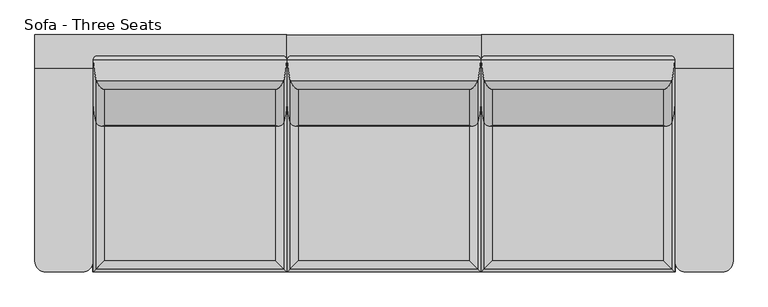
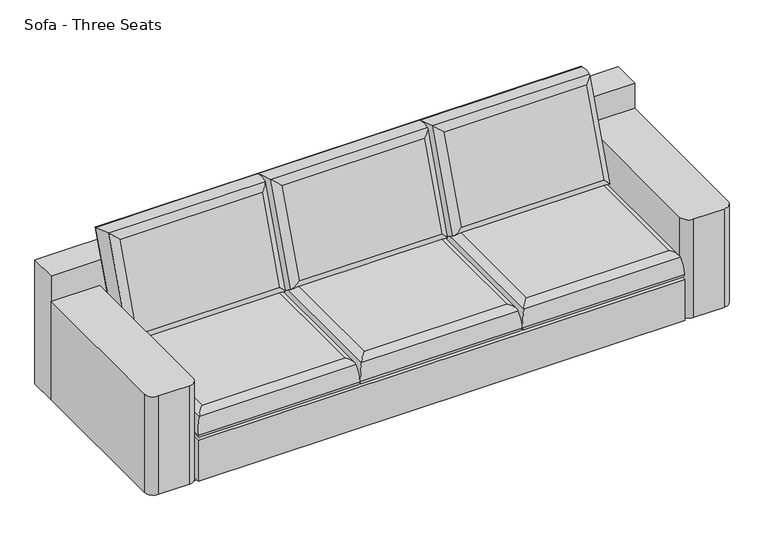
"""IFC4 building model written with IfcOpenShell, lengths in millimetres: furniture geometry, Sofa - Three Seats."""

from ifc_helpers import new_model, si_unit, point, frame, frame_2d, origin, origin_with_axes, place, context, project, spatial, polyline, circle_curve, ellipse_curve, trimmed, segment, composite_curve, outline, extrude, source, transform, mapped, element, save
from ifc_brep_helpers import plane_surface, cylinder_surface, advanced_brep


def sofa_three_seats_6b5f1c55(model_context):
    return source(origin(), model_context, "Body", "SolidModel", [
        extrude(outline(composite_curve([segment(polyline([(5029.6307485, 1413.1731837), (5029.6307485, 609.8981837)]), True, "CONTINUOUS"), segment(trimmed(circle_curve(frame_2d((4985.1807485, 609.8981837)), 44.45), [point((5029.6307485, 609.8981837))], [point((4985.1807485, 565.4481837))], False, "CARTESIAN"), True, "CONTINUOUS"), segment(polyline([(4985.1807485, 565.4481837), (4832.7807485, 565.4481837)]), True, "CONTINUOUS"), segment(trimmed(circle_curve(frame_2d((4832.7807485, 609.8981837)), 44.45), [point((4832.7807485, 565.4481837))], [point((4788.3307485, 609.8981837))], False, "CARTESIAN"), True, "CONTINUOUS"), segment(polyline([(4788.3307485, 609.8981837), (4788.3307485, 1413.1731837), (5029.6307485, 1413.1731837)]), True, "CONTINUOUS")], self_intersect=False)), frame((0.0, 0.0, 60.325), z_axis=(0.0, 0.0, 1.0), x_axis=(1.0, 0.0, 0.0)), (0.0, 0.0, 1.0), 517.525),
        extrude(outline(composite_curve([segment(polyline([(3981.8807485, 1413.1731837), (3175.4307485, 1413.1731837), (3175.4307485, 1551.1313469)]), True, "CONTINUOUS"), segment(trimmed(circle_curve(frame_2d((3578.6557485, -9330.1458999)), 10888.7457921), [point((3175.4307485, 1551.1313469))], [point((3981.8807485, 1551.1313469))], False, "CARTESIAN"), True, "CONTINUOUS"), segment(polyline([(3981.8807485, 1551.1313469), (3981.8807485, 1413.1731837)]), True, "CONTINUOUS")], self_intersect=False)), frame((0.0, 0.0, 60.325), z_axis=(0.0, 0.0, 1.0), x_axis=(1.0, 0.0, 0.0)), (0.0, 0.0, 1.0), 650.875),
        extrude(outline(composite_curve([segment(polyline([(2368.9807485, 1413.1731837), (2368.9807485, 609.8981837)]), True, "CONTINUOUS"), segment(trimmed(circle_curve(frame_2d((2324.5307485, 609.8981837)), 44.45), [point((2368.9807485, 609.8981837))], [point((2324.5307485, 565.4481837))], False, "CARTESIAN"), True, "CONTINUOUS"), segment(polyline([(2324.5307485, 565.4481837), (2172.1307485, 565.4481837)]), True, "CONTINUOUS"), segment(trimmed(circle_curve(frame_2d((2172.1307485, 609.8981837)), 44.45), [point((2172.1307485, 565.4481837))], [point((2127.6807485, 609.8981837))], False, "CARTESIAN"), True, "CONTINUOUS"), segment(polyline([(2127.6807485, 609.8981837), (2127.6807485, 1413.1731837), (2368.9807485, 1413.1731837)]), True, "CONTINUOUS")], self_intersect=False)), frame((0.0, 0.0, 60.325), z_axis=(0.0, 0.0, 1.0), x_axis=(1.0, 0.0, 0.0)), (0.0, 0.0, 1.0), 517.525),
        extrude(outline(composite_curve([segment(trimmed(circle_curve(frame_2d((2651.8795236, -11164.1120182)), 12727.2962015), [point((2127.6807485, 1552.3845215))], [point((3175.4307485, 1552.4111983))], False, "CARTESIAN"), True, "CONTINUOUS"), segment(polyline([(3175.4307485, 1552.4111983), (3175.4307485, 1413.1731837), (2127.6807485, 1413.1731837), (2127.6807485, 1552.3845215)]), True, "CONTINUOUS")], self_intersect=False)), frame((0.0, 0.0, 60.325), z_axis=(0.0, 0.0, 1.0), x_axis=(1.0, 0.0, 0.0)), (0.0, 0.0, 1.0), 650.875),
        extrude(outline(composite_curve([segment(polyline([(5029.6307485, 1552.3845215), (5029.6307485, 1413.1731837), (3981.8807485, 1413.1731837), (3981.8807485, 1552.4111983)]), True, "CONTINUOUS"), segment(trimmed(circle_curve(frame_2d((4505.4319733, -11164.1120182)), 12727.2962015), [point((3981.8807485, 1552.4111983))], [point((5029.6307485, 1552.3845215))], False, "CARTESIAN"), True, "CONTINUOUS")], self_intersect=False)), frame((0.0, 0.0, 60.325), z_axis=(0.0, 0.0, 1.0), x_axis=(1.0, 0.0, 0.0)), (0.0, 0.0, 1.0), 650.875),
        advanced_brep(
        [(4761.818919, 1298.0836706, 377.9035736), (4008.3925779, 1298.0836706, 377.9035736), (4008.3925779, 1462.3820556, 829.3096765), (4761.818919, 1462.3820556, 829.3096765), (4774.1907614, 1360.1357428, 879.6901306), (4740.7057485, 1323.8858668, 857.25), (4740.7057485, 1174.029741, 445.5236782), (4774.1907614, 1187.3745191, 405.0325697), (4029.5057485, 1174.029741, 445.5236782), (3996.0207355, 1187.3745191, 405.0325697), (4029.5057485, 1323.8858668, 857.25), (3996.0207355, 1360.1357428, 879.6901306), (4787.2169387, 1265.2308063, 362.8330302), (4787.2169387, 1446.90246, 861.9717966), (3982.9945582, 1265.2308063, 362.8330302), (3982.9945582, 1446.90246, 861.9717966)],
        [
            (0, 1),
            (1, 2),
            (2, 3),
            (3, 0),
            (4, 5, ellipse_curve(frame((4738.9897056, 1357.7073435, 843.1138145), z_axis=(0.7071067811865476, -0.24184476264798005, -0.6644630243886728), x_axis=(0.7071067811865472, 0.24184476264798016, 0.664463024388673)), 51.8406023, 36.6568414)),
            (5, 6),
            (6, 7, ellipse_curve(frame((4738.9897056, 1209.0250602, 434.6125984), z_axis=(0.7071067811865472, 0.24184476264798022, 0.6644630243886731), x_axis=(-0.7071067811865477, 0.24184476264798005, 0.6644630243886728)), 51.8406023, 36.6568414)),
            (7, 4),
            (6, 8),
            (8, 9, ellipse_curve(frame((4031.2217913, 1209.0250602, 434.6125984), z_axis=(0.7071067811865477, -0.24184476264797994, -0.6644630243886728), x_axis=(0.7071067811865474, 0.24184476264798013, 0.664463024388673)), 51.8406023, 36.6568414)),
            (9, 7),
            (8, 10),
            (10, 11, ellipse_curve(frame((4031.2217913, 1357.7073435, 843.1138145), z_axis=(-0.7071067811865474, -0.24184476264798005, -0.664463024388673), x_axis=(0.7071067811865475, -0.24184476264798002, -0.664463024388673)), 51.8406023, 36.6568414)),
            (11, 9),
            (4, 11),
            (10, 5),
            (7, 12, ellipse_curve(frame((4458.596816, 1381.4817557, 670.2313752), z_axis=(0.7071067811865472, 0.24184476264798022, 0.6644630243886731), x_axis=(-0.7071067811865477, 0.24184476264798005, 0.6644630243886728)), 464.7752698, 328.645745)),
            (12, 13),
            (13, 4, ellipse_curve(frame((4458.596816, 1338.3640064, 551.7663328), z_axis=(0.7071067811865476, -0.24184476264798005, -0.6644630243886728), x_axis=(0.7071067811865472, 0.24184476264798016, 0.664463024388673)), 464.7752698, 328.645745)),
            (9, 14, ellipse_curve(frame((4311.614681, 1381.4817557, 670.2313752), z_axis=(0.7071067811865477, -0.24184476264797994, -0.6644630243886728), x_axis=(0.7071067811865474, 0.24184476264798013, 0.664463024388673)), 464.7752698, 328.645745)),
            (14, 12),
            (11, 15, ellipse_curve(frame((4311.614681, 1338.3640064, 551.7663328), z_axis=(-0.7071067811865474, -0.24184476264798005, -0.664463024388673), x_axis=(0.7071067811865475, -0.24184476264798002, -0.664463024388673)), 464.7752698, 328.645745)),
            (15, 14),
            (13, 15),
            (3, 13, ellipse_curve(frame((4761.818919, 1438.513863, 837.9969882), z_axis=(0.7071067811865476, -0.24184476264798005, -0.6644630243886728), x_axis=(0.7071067811865472, 0.24184476264798016, 0.664463024388673)), 35.9210245, 25.4)),
            (12, 0, ellipse_curve(frame((4761.818919, 1274.215478, 386.5908853), z_axis=(0.7071067811865472, 0.24184476264798022, 0.6644630243886731), x_axis=(-0.7071067811865477, 0.24184476264798005, 0.6644630243886728)), 35.9210245, 25.4)),
            (14, 1, ellipse_curve(frame((4008.3925779, 1274.215478, 386.5908853), z_axis=(0.7071067811865477, -0.24184476264797994, -0.6644630243886728), x_axis=(0.7071067811865474, 0.24184476264798013, 0.664463024388673)), 35.9210245, 25.4)),
            (15, 2, ellipse_curve(frame((4008.3925779, 1438.513863, 837.9969882), z_axis=(-0.7071067811865474, -0.24184476264798005, -0.664463024388673), x_axis=(0.7071067811865475, -0.24184476264798002, -0.664463024388673)), 35.9210245, 25.4)),
        ],
        [
            plane_surface(frame((4008.3925779, 1462.3820556, 829.3096765), z_axis=(0.0, 0.939692620785906, -0.3420201433256757), x_axis=(1.0, 0.0, 0.0))),
            cylinder_surface(frame((4738.9897056, 1374.5829741, 889.4792284), z_axis=(0.0, 0.3420201433256756, 0.9396926207859059), x_axis=(1.0, 0.0, 0.0)), 36.6568414),
            cylinder_surface(frame((4788.3307485, 1209.0250602, 434.6125984), z_axis=(1.0000000000000002, 0.0, 0.0), x_axis=(0.0, -0.34202014332567543, -0.9396926207859061)), 36.6568414),
            cylinder_surface(frame((4031.2217913, 1192.1494296, 388.2471845), z_axis=(0.0, -0.3420201433256755, -0.939692620785906), x_axis=(-1.0, 0.0, 0.0)), 36.6568414),
            cylinder_surface(frame((3981.8807485, 1357.7073435, 843.1138145), z_axis=(-1.0, 0.0, 0.0), x_axis=(0.0, 0.34202014332567565, 0.939692620785906)), 36.6568414),
            cylinder_surface(frame((4458.596816, 1451.1396532, 861.614876), z_axis=(0.0, 0.3420201433256756, 0.9396926207859059), x_axis=(1.0, 0.0, 0.0)), 328.645745),
            cylinder_surface(frame((4788.3307485, 1381.4817557, 670.2313752), z_axis=(1.0000000000000002, 0.0, 0.0), x_axis=(0.0, -0.34202014332567543, -0.9396926207859061)), 328.645745),
            cylinder_surface(frame((4311.614681, 1268.7061088, 360.382832), z_axis=(0.0, -0.3420201433256755, -0.939692620785906), x_axis=(-1.0, 0.0, 0.0)), 328.645745),
            cylinder_surface(frame((3981.8807485, 1338.3640064, 551.7663328), z_axis=(-1.0, 0.0, 0.0), x_axis=(0.0, 0.34202014332567565, 0.939692620785906)), 328.645745),
            cylinder_surface(frame((4761.818919, 1447.5814427, 862.9099587), z_axis=(0.0, 0.3420201433256756, 0.9396926207859059), x_axis=(1.0, 0.0, 0.0)), 25.4),
            cylinder_surface(frame((4788.3307485, 1274.215478, 386.5908853), z_axis=(1.0000000000000002, 0.0, 0.0), x_axis=(0.0, -0.34202014332567543, -0.9396926207859061)), 25.4),
            cylinder_surface(frame((4008.3925779, 1265.1478983, 361.6779148), z_axis=(0.0, -0.3420201433256755, -0.939692620785906), x_axis=(-1.0, 0.0, 0.0)), 25.4),
            cylinder_surface(frame((3981.8807485, 1438.513863, 837.9969882), z_axis=(-1.0, 0.0, 0.0), x_axis=(0.0, 0.34202014332567565, 0.939692620785906)), 25.4),
            plane_surface(frame((4029.5057485, 1323.8858668, 857.25), z_axis=(0.0, -0.939692620785906, 0.3420201433256756), x_axis=(-1.0, 0.0, 0.0))),
        ],
        [
            (0, [[1, 2, 3, 4]]),
            (1, [[5, 6, 7, 8]]),
            (2, [[-7, 9, 10, 11]]),
            (3, [[-10, 12, 13, 14]]),
            (4, [[-5, 15, -13, 16]]),
            (5, [[-8, 17, 18, 19]]),
            (6, [[-11, 20, 21, -17]]),
            (7, [[-14, 22, 23, -20]]),
            (8, [[-15, -19, 24, -22]]),
            (9, [[-4, 25, -18, 26]]),
            (10, [[-1, -26, -21, 27]]),
            (11, [[-2, -27, -23, 28]]),
            (12, [[-3, -28, -24, -25]]),
            (13, [[-6, -16, -12, -9]]),
        ],
    ),
        advanced_brep(
        [(3955.368919, 1298.0836706, 377.9035736), (3201.9425779, 1298.0836706, 377.9035736), (3201.9425779, 1462.3820556, 829.3096765), (3955.368919, 1462.3820556, 829.3096765), (3967.7407614, 1360.1357428, 879.6901306), (3934.2557485, 1323.8858668, 857.25), (3934.2557485, 1174.029741, 445.5236782), (3967.7407614, 1187.3745191, 405.0325697), (3223.0557485, 1174.029741, 445.5236782), (3189.5707355, 1187.3745191, 405.0325697), (3223.0557485, 1323.8858668, 857.25), (3189.5707355, 1360.1357428, 879.6901306), (3980.7669387, 1265.2308063, 362.8330302), (3980.7669387, 1446.90246, 861.9717966), (3176.5445582, 1265.2308063, 362.8330302), (3176.5445582, 1446.90246, 861.9717966)],
        [
            (0, 1),
            (1, 2),
            (2, 3),
            (3, 0),
            (4, 5, ellipse_curve(frame((3932.5397056, 1357.7073435, 843.1138145), z_axis=(0.7071067811865476, -0.24184476264798005, -0.6644630243886728), x_axis=(0.7071067811865472, 0.24184476264798016, 0.664463024388673)), 51.8406023, 36.6568414)),
            (5, 6),
            (6, 7, ellipse_curve(frame((3932.5397056, 1209.0250602, 434.6125984), z_axis=(0.7071067811865472, 0.24184476264798022, 0.6644630243886731), x_axis=(-0.7071067811865477, 0.24184476264798005, 0.6644630243886728)), 51.8406023, 36.6568414)),
            (7, 4),
            (6, 8),
            (8, 9, ellipse_curve(frame((3224.7717913, 1209.0250602, 434.6125984), z_axis=(0.7071067811865477, -0.24184476264797994, -0.6644630243886728), x_axis=(0.7071067811865474, 0.24184476264798013, 0.664463024388673)), 51.8406023, 36.6568414)),
            (9, 7),
            (8, 10),
            (10, 11, ellipse_curve(frame((3224.7717913, 1357.7073435, 843.1138145), z_axis=(-0.7071067811865474, -0.24184476264798005, -0.664463024388673), x_axis=(0.7071067811865475, -0.24184476264798002, -0.664463024388673)), 51.8406023, 36.6568414)),
            (11, 9),
            (4, 11),
            (10, 5),
            (7, 12, ellipse_curve(frame((3652.146816, 1381.4817557, 670.2313752), z_axis=(0.7071067811865472, 0.24184476264798022, 0.6644630243886731), x_axis=(-0.7071067811865477, 0.24184476264798005, 0.6644630243886728)), 464.7752698, 328.645745)),
            (12, 13),
            (13, 4, ellipse_curve(frame((3652.146816, 1338.3640064, 551.7663328), z_axis=(0.7071067811865476, -0.24184476264798005, -0.6644630243886728), x_axis=(0.7071067811865472, 0.24184476264798016, 0.664463024388673)), 464.7752698, 328.645745)),
            (9, 14, ellipse_curve(frame((3505.164681, 1381.4817557, 670.2313752), z_axis=(0.7071067811865477, -0.24184476264797994, -0.6644630243886728), x_axis=(0.7071067811865474, 0.24184476264798013, 0.664463024388673)), 464.7752698, 328.645745)),
            (14, 12),
            (11, 15, ellipse_curve(frame((3505.164681, 1338.3640064, 551.7663328), z_axis=(-0.7071067811865474, -0.24184476264798005, -0.664463024388673), x_axis=(0.7071067811865475, -0.24184476264798002, -0.664463024388673)), 464.7752698, 328.645745)),
            (15, 14),
            (13, 15),
            (3, 13, ellipse_curve(frame((3955.368919, 1438.513863, 837.9969882), z_axis=(0.7071067811865476, -0.24184476264798005, -0.6644630243886728), x_axis=(0.7071067811865472, 0.24184476264798016, 0.664463024388673)), 35.9210245, 25.4)),
            (12, 0, ellipse_curve(frame((3955.368919, 1274.215478, 386.5908853), z_axis=(0.7071067811865472, 0.24184476264798022, 0.6644630243886731), x_axis=(-0.7071067811865477, 0.24184476264798005, 0.6644630243886728)), 35.9210245, 25.4)),
            (14, 1, ellipse_curve(frame((3201.9425779, 1274.215478, 386.5908853), z_axis=(0.7071067811865477, -0.24184476264797994, -0.6644630243886728), x_axis=(0.7071067811865474, 0.24184476264798013, 0.664463024388673)), 35.9210245, 25.4)),
            (15, 2, ellipse_curve(frame((3201.9425779, 1438.513863, 837.9969882), z_axis=(-0.7071067811865474, -0.24184476264798005, -0.664463024388673), x_axis=(0.7071067811865475, -0.24184476264798002, -0.664463024388673)), 35.9210245, 25.4)),
        ],
        [
            plane_surface(frame((3201.9425779, 1462.3820556, 829.3096765), z_axis=(0.0, 0.939692620785906, -0.3420201433256757), x_axis=(1.0, 0.0, 0.0))),
            cylinder_surface(frame((3932.5397056, 1374.5829741, 889.4792284), z_axis=(0.0, 0.3420201433256756, 0.9396926207859059), x_axis=(1.0, 0.0, 0.0)), 36.6568414),
            cylinder_surface(frame((3981.8807485, 1209.0250602, 434.6125984), z_axis=(1.0000000000000002, 0.0, 0.0), x_axis=(0.0, -0.34202014332567543, -0.9396926207859061)), 36.6568414),
            cylinder_surface(frame((3224.7717913, 1192.1494296, 388.2471845), z_axis=(0.0, -0.3420201433256755, -0.939692620785906), x_axis=(-1.0, 0.0, 0.0)), 36.6568414),
            cylinder_surface(frame((3175.4307485, 1357.7073435, 843.1138145), z_axis=(-1.0, 0.0, 0.0), x_axis=(0.0, 0.34202014332567565, 0.939692620785906)), 36.6568414),
            cylinder_surface(frame((3652.146816, 1451.1396532, 861.614876), z_axis=(0.0, 0.3420201433256756, 0.9396926207859059), x_axis=(1.0, 0.0, 0.0)), 328.645745),
            cylinder_surface(frame((3981.8807485, 1381.4817557, 670.2313752), z_axis=(1.0000000000000002, 0.0, 0.0), x_axis=(0.0, -0.34202014332567543, -0.9396926207859061)), 328.645745),
            cylinder_surface(frame((3505.164681, 1268.7061088, 360.382832), z_axis=(0.0, -0.3420201433256755, -0.939692620785906), x_axis=(-1.0, 0.0, 0.0)), 328.645745),
            cylinder_surface(frame((3175.4307485, 1338.3640064, 551.7663328), z_axis=(-1.0, 0.0, 0.0), x_axis=(0.0, 0.34202014332567565, 0.939692620785906)), 328.645745),
            cylinder_surface(frame((3955.368919, 1447.5814427, 862.9099587), z_axis=(0.0, 0.3420201433256756, 0.9396926207859059), x_axis=(1.0, 0.0, 0.0)), 25.4),
            cylinder_surface(frame((3981.8807485, 1274.215478, 386.5908853), z_axis=(1.0000000000000002, 0.0, 0.0), x_axis=(0.0, -0.34202014332567543, -0.9396926207859061)), 25.4),
            cylinder_surface(frame((3201.9425779, 1265.1478983, 361.6779148), z_axis=(0.0, -0.3420201433256755, -0.939692620785906), x_axis=(-1.0, 0.0, 0.0)), 25.4),
            cylinder_surface(frame((3175.4307485, 1438.513863, 837.9969882), z_axis=(-1.0, 0.0, 0.0), x_axis=(0.0, 0.34202014332567565, 0.939692620785906)), 25.4),
            plane_surface(frame((3223.0557485, 1323.8858668, 857.25), z_axis=(0.0, -0.939692620785906, 0.3420201433256756), x_axis=(-1.0, 0.0, 0.0))),
        ],
        [
            (0, [[1, 2, 3, 4]]),
            (1, [[5, 6, 7, 8]]),
            (2, [[-7, 9, 10, 11]]),
            (3, [[-10, 12, 13, 14]]),
            (4, [[-5, 15, -13, 16]]),
            (5, [[-8, 17, 18, 19]]),
            (6, [[-11, 20, 21, -17]]),
            (7, [[-14, 22, 23, -20]]),
            (8, [[-15, -19, 24, -22]]),
            (9, [[-4, 25, -18, 26]]),
            (10, [[-1, -26, -21, 27]]),
            (11, [[-2, -27, -23, 28]]),
            (12, [[-3, -28, -24, -25]]),
            (13, [[-6, -16, -12, -9]]),
        ],
    ),
        advanced_brep(
        [(3148.918919, 1298.0836706, 377.9035736), (2395.4925779, 1298.0836706, 377.9035736), (2395.4925779, 1462.3820556, 829.3096765), (3148.918919, 1462.3820556, 829.3096765), (3161.2907614, 1360.1357428, 879.6901306), (3127.8057485, 1323.8858668, 857.25), (3127.8057485, 1174.029741, 445.5236782), (3161.2907614, 1187.3745191, 405.0325697), (2416.6057485, 1174.029741, 445.5236782), (2383.1207355, 1187.3745191, 405.0325697), (2416.6057485, 1323.8858668, 857.25), (2383.1207355, 1360.1357428, 879.6901306), (3174.3169387, 1265.2308063, 362.8330302), (3174.3169387, 1446.90246, 861.9717966), (2370.0945582, 1265.2308063, 362.8330302), (2370.0945582, 1446.90246, 861.9717966)],
        [
            (0, 1),
            (1, 2),
            (2, 3),
            (3, 0),
            (4, 5, ellipse_curve(frame((3126.0897056, 1357.7073435, 843.1138145), z_axis=(0.7071067811865476, -0.24184476264798005, -0.6644630243886728), x_axis=(0.7071067811865472, 0.24184476264798016, 0.664463024388673)), 51.8406023, 36.6568414)),
            (5, 6),
            (6, 7, ellipse_curve(frame((3126.0897056, 1209.0250602, 434.6125984), z_axis=(0.7071067811865472, 0.24184476264798022, 0.6644630243886731), x_axis=(-0.7071067811865477, 0.24184476264798005, 0.6644630243886728)), 51.8406023, 36.6568414)),
            (7, 4),
            (6, 8),
            (8, 9, ellipse_curve(frame((2418.3217913, 1209.0250602, 434.6125984), z_axis=(0.7071067811865477, -0.24184476264797994, -0.6644630243886728), x_axis=(0.7071067811865474, 0.24184476264798013, 0.664463024388673)), 51.8406023, 36.6568414)),
            (9, 7),
            (8, 10),
            (10, 11, ellipse_curve(frame((2418.3217913, 1357.7073435, 843.1138145), z_axis=(-0.7071067811865474, -0.24184476264798005, -0.664463024388673), x_axis=(0.7071067811865475, -0.24184476264798002, -0.664463024388673)), 51.8406023, 36.6568414)),
            (11, 9),
            (4, 11),
            (10, 5),
            (7, 12, ellipse_curve(frame((2845.696816, 1381.4817557, 670.2313752), z_axis=(0.7071067811865472, 0.24184476264798022, 0.6644630243886731), x_axis=(-0.7071067811865477, 0.24184476264798005, 0.6644630243886728)), 464.7752698, 328.645745)),
            (12, 13),
            (13, 4, ellipse_curve(frame((2845.696816, 1338.3640064, 551.7663328), z_axis=(0.7071067811865476, -0.24184476264798005, -0.6644630243886728), x_axis=(0.7071067811865472, 0.24184476264798016, 0.664463024388673)), 464.7752698, 328.645745)),
            (9, 14, ellipse_curve(frame((2698.714681, 1381.4817557, 670.2313752), z_axis=(0.7071067811865477, -0.24184476264797994, -0.6644630243886728), x_axis=(0.7071067811865474, 0.24184476264798013, 0.664463024388673)), 464.7752698, 328.645745)),
            (14, 12),
            (11, 15, ellipse_curve(frame((2698.714681, 1338.3640064, 551.7663328), z_axis=(-0.7071067811865474, -0.24184476264798005, -0.664463024388673), x_axis=(0.7071067811865475, -0.24184476264798002, -0.664463024388673)), 464.7752698, 328.645745)),
            (15, 14),
            (13, 15),
            (3, 13, ellipse_curve(frame((3148.918919, 1438.513863, 837.9969882), z_axis=(0.7071067811865476, -0.24184476264798005, -0.6644630243886728), x_axis=(0.7071067811865472, 0.24184476264798016, 0.664463024388673)), 35.9210245, 25.4)),
            (12, 0, ellipse_curve(frame((3148.918919, 1274.215478, 386.5908853), z_axis=(0.7071067811865472, 0.24184476264798022, 0.6644630243886731), x_axis=(-0.7071067811865477, 0.24184476264798005, 0.6644630243886728)), 35.9210245, 25.4)),
            (14, 1, ellipse_curve(frame((2395.4925779, 1274.215478, 386.5908853), z_axis=(0.7071067811865477, -0.24184476264797994, -0.6644630243886728), x_axis=(0.7071067811865474, 0.24184476264798013, 0.664463024388673)), 35.9210245, 25.4)),
            (15, 2, ellipse_curve(frame((2395.4925779, 1438.513863, 837.9969882), z_axis=(-0.7071067811865474, -0.24184476264798005, -0.664463024388673), x_axis=(0.7071067811865475, -0.24184476264798002, -0.664463024388673)), 35.9210245, 25.4)),
        ],
        [
            plane_surface(frame((2395.4925779, 1462.3820556, 829.3096765), z_axis=(0.0, 0.939692620785906, -0.3420201433256757), x_axis=(1.0, 0.0, 0.0))),
            cylinder_surface(frame((3126.0897056, 1374.5829741, 889.4792284), z_axis=(0.0, 0.3420201433256756, 0.9396926207859059), x_axis=(1.0, 0.0, 0.0)), 36.6568414),
            cylinder_surface(frame((3175.4307485, 1209.0250602, 434.6125984), z_axis=(1.0000000000000002, 0.0, 0.0), x_axis=(0.0, -0.34202014332567543, -0.9396926207859061)), 36.6568414),
            cylinder_surface(frame((2418.3217913, 1192.1494296, 388.2471845), z_axis=(0.0, -0.3420201433256755, -0.939692620785906), x_axis=(-1.0, 0.0, 0.0)), 36.6568414),
            cylinder_surface(frame((2368.9807485, 1357.7073435, 843.1138145), z_axis=(-1.0, 0.0, 0.0), x_axis=(0.0, 0.34202014332567565, 0.939692620785906)), 36.6568414),
            cylinder_surface(frame((2845.696816, 1451.1396532, 861.614876), z_axis=(0.0, 0.3420201433256756, 0.9396926207859059), x_axis=(1.0, 0.0, 0.0)), 328.645745),
            cylinder_surface(frame((3175.4307485, 1381.4817557, 670.2313752), z_axis=(1.0000000000000002, 0.0, 0.0), x_axis=(0.0, -0.34202014332567543, -0.9396926207859061)), 328.645745),
            cylinder_surface(frame((2698.714681, 1268.7061088, 360.382832), z_axis=(0.0, -0.3420201433256755, -0.939692620785906), x_axis=(-1.0, 0.0, 0.0)), 328.645745),
            cylinder_surface(frame((2368.9807485, 1338.3640064, 551.7663328), z_axis=(-1.0, 0.0, 0.0), x_axis=(0.0, 0.34202014332567565, 0.939692620785906)), 328.645745),
            cylinder_surface(frame((3148.918919, 1447.5814427, 862.9099587), z_axis=(0.0, 0.3420201433256756, 0.9396926207859059), x_axis=(1.0, 0.0, 0.0)), 25.4),
            cylinder_surface(frame((3175.4307485, 1274.215478, 386.5908853), z_axis=(1.0000000000000002, 0.0, 0.0), x_axis=(0.0, -0.34202014332567543, -0.9396926207859061)), 25.4),
            cylinder_surface(frame((2395.4925779, 1265.1478983, 361.6779148), z_axis=(0.0, -0.3420201433256755, -0.939692620785906), x_axis=(-1.0, 0.0, 0.0)), 25.4),
            cylinder_surface(frame((2368.9807485, 1438.513863, 837.9969882), z_axis=(-1.0, 0.0, 0.0), x_axis=(0.0, 0.34202014332567565, 0.939692620785906)), 25.4),
            plane_surface(frame((2416.6057485, 1323.8858668, 857.25), z_axis=(0.0, -0.939692620785906, 0.3420201433256756), x_axis=(-1.0, 0.0, 0.0))),
        ],
        [
            (0, [[1, 2, 3, 4]]),
            (1, [[5, 6, 7, 8]]),
            (2, [[-7, 9, 10, 11]]),
            (3, [[-10, 12, 13, 14]]),
            (4, [[-5, 15, -13, 16]]),
            (5, [[-8, 17, 18, 19]]),
            (6, [[-11, 20, 21, -17]]),
            (7, [[-14, 22, 23, -20]]),
            (8, [[-15, -19, 24, -22]]),
            (9, [[-4, 25, -18, 26]]),
            (10, [[-1, -26, -21, 27]]),
            (11, [[-2, -27, -23, 28]]),
            (12, [[-3, -28, -24, -25]]),
            (13, [[-6, -16, -12, -9]]),
        ],
    ),
        advanced_brep(
        [(4761.818919, 591.5794432, 276.225), (4008.3925779, 591.5794432, 276.225), (4008.3925779, 1386.2807843, 276.225), (4761.818919, 1386.2807843, 276.225), (4774.1907614, 1398.6526267, 389.5362358), (4740.7057485, 1365.1676138, 415.925), (4740.7057485, 612.6926138, 415.925), (4774.1907614, 579.2076008, 389.5362358), (4029.5057485, 612.6926138, 415.925), (3996.0207355, 579.2076008, 389.5362358), (4029.5057485, 1365.1676138, 415.925), (3996.0207355, 1398.6526267, 389.5362358), (4787.2169387, 566.1814235, 301.9421647), (4787.2169387, 1411.6788041, 301.9421647), (3982.9945582, 566.1814235, 301.9421647), (3982.9945582, 1411.6788041, 301.9421647)],
        [
            (0, 1),
            (1, 2),
            (2, 3),
            (3, 0),
            (4, 5, ellipse_curve(frame((4738.9897056, 1363.4515709, 379.3083478), z_axis=(0.7071067811865475, -0.7071067811865475, 0.0), x_axis=(0.7071067811865474, 0.7071067811865476, 0.0)), 51.8406023, 36.6568414)),
            (5, 6),
            (6, 7, ellipse_curve(frame((4738.9897056, 614.4086566, 379.3083478), z_axis=(0.7071067811865475, 0.7071067811865475, 0.0), x_axis=(-0.7071067811865474, 0.7071067811865476, 0.0)), 51.8406023, 36.6568414)),
            (7, 4),
            (6, 8),
            (8, 9, ellipse_curve(frame((4031.2217913, 614.4086566, 379.3083478), z_axis=(0.7071067811865475, -0.7071067811865475, 0.0), x_axis=(0.7071067811865476, 0.7071067811865474, 0.0)), 51.8406023, 36.6568414)),
            (9, 7),
            (8, 10),
            (10, 11, ellipse_curve(frame((4031.2217913, 1363.4515709, 379.3083478), z_axis=(-0.7071067811865475, -0.7071067811865475, 0.0), x_axis=(0.7071067811865474, -0.7071067811865476, 0.0)), 51.8406023, 36.6568414)),
            (11, 9),
            (4, 11),
            (10, 5),
            (7, 12, ellipse_curve(frame((4458.596816, 894.8015463, 297.8384315), z_axis=(0.7071067811865475, 0.7071067811865475, 0.0), x_axis=(-0.7071067811865474, 0.7071067811865476, 0.0)), 464.7752698, 328.645745)),
            (12, 13),
            (13, 4, ellipse_curve(frame((4458.596816, 1083.0586813, 297.8384315), z_axis=(0.7071067811865475, -0.7071067811865475, 0.0), x_axis=(0.7071067811865474, 0.7071067811865476, 0.0)), 464.7752698, 328.645745)),
            (9, 14, ellipse_curve(frame((4311.614681, 894.8015463, 297.8384315), z_axis=(0.7071067811865475, -0.7071067811865475, 0.0), x_axis=(0.7071067811865476, 0.7071067811865474, 0.0)), 464.7752698, 328.645745)),
            (14, 12),
            (11, 15, ellipse_curve(frame((4311.614681, 1083.0586813, 297.8384315), z_axis=(-0.7071067811865475, -0.7071067811865475, 0.0), x_axis=(0.7071067811865474, -0.7071067811865476, 0.0)), 464.7752698, 328.645745)),
            (15, 14),
            (13, 15),
            (3, 13, ellipse_curve(frame((4761.818919, 1386.2807843, 301.625), z_axis=(0.7071067811865475, -0.7071067811865475, 0.0), x_axis=(0.7071067811865474, 0.7071067811865476, 0.0)), 35.9210245, 25.4)),
            (12, 0, ellipse_curve(frame((4761.818919, 591.5794432, 301.625), z_axis=(0.7071067811865475, 0.7071067811865475, 0.0), x_axis=(-0.7071067811865474, 0.7071067811865476, 0.0)), 35.9210245, 25.4)),
            (14, 1, ellipse_curve(frame((4008.3925779, 591.5794432, 301.625), z_axis=(0.7071067811865475, -0.7071067811865475, 0.0), x_axis=(0.7071067811865476, 0.7071067811865474, 0.0)), 35.9210245, 25.4)),
            (15, 2, ellipse_curve(frame((4008.3925779, 1386.2807843, 301.625), z_axis=(-0.7071067811865475, -0.7071067811865475, 0.0), x_axis=(0.7071067811865474, -0.7071067811865476, 0.0)), 35.9210245, 25.4)),
        ],
        [
            plane_surface(frame((4008.3925779, 1386.2807843, 276.225), z_axis=(0.0, 0.0, -1.0), x_axis=(1.0, 0.0, 0.0))),
            cylinder_surface(frame((4738.9897056, 1412.7926138, 379.3083478), z_axis=(0.0, 1.0, 0.0), x_axis=(1.0, 0.0, 0.0)), 36.6568414),
            cylinder_surface(frame((4788.3307485, 614.4086566, 379.3083478), z_axis=(1.0, 0.0, 0.0), x_axis=(0.0, -1.0, 0.0)), 36.6568414),
            cylinder_surface(frame((4031.2217913, 565.0676138, 379.3083478), z_axis=(0.0, -1.0, 0.0), x_axis=(-1.0, 0.0, 0.0)), 36.6568414),
            cylinder_surface(frame((3981.8807485, 1363.4515709, 379.3083478), z_axis=(-1.0, 0.0, 0.0), x_axis=(0.0, 1.0, 0.0)), 36.6568414),
            cylinder_surface(frame((4458.596816, 1412.7926138, 297.8384315), z_axis=(0.0, 1.0, 0.0), x_axis=(1.0, 0.0, 0.0)), 328.645745),
            cylinder_surface(frame((4788.3307485, 894.8015463, 297.8384315), z_axis=(1.0, 0.0, 0.0), x_axis=(0.0, -1.0, 0.0)), 328.645745),
            cylinder_surface(frame((4311.614681, 565.0676138, 297.8384315), z_axis=(0.0, -1.0, 0.0), x_axis=(-1.0, 0.0, 0.0)), 328.645745),
            cylinder_surface(frame((3981.8807485, 1083.0586813, 297.8384315), z_axis=(-1.0, 0.0, 0.0), x_axis=(0.0, 1.0, 0.0)), 328.645745),
            cylinder_surface(frame((4761.818919, 1412.7926138, 301.625), z_axis=(0.0, 1.0, 0.0), x_axis=(1.0, 0.0, 0.0)), 25.4),
            cylinder_surface(frame((4788.3307485, 591.5794432, 301.625), z_axis=(1.0, 0.0, 0.0), x_axis=(0.0, -1.0, 0.0)), 25.4),
            cylinder_surface(frame((4008.3925779, 565.0676138, 301.625), z_axis=(0.0, -1.0, 0.0), x_axis=(-1.0, 0.0, 0.0)), 25.4),
            cylinder_surface(frame((3981.8807485, 1386.2807843, 301.625), z_axis=(-1.0, 0.0, 0.0), x_axis=(0.0, 1.0, 0.0)), 25.4),
            plane_surface(frame((4029.5057485, 1365.1676138, 415.925), z_axis=(0.0, 0.0, 1.0), x_axis=(-1.0, 0.0, 0.0))),
        ],
        [
            (0, [[1, 2, 3, 4]]),
            (1, [[5, 6, 7, 8]]),
            (2, [[-7, 9, 10, 11]]),
            (3, [[-10, 12, 13, 14]]),
            (4, [[-5, 15, -13, 16]]),
            (5, [[-8, 17, 18, 19]]),
            (6, [[-11, 20, 21, -17]]),
            (7, [[-14, 22, 23, -20]]),
            (8, [[-15, -19, 24, -22]]),
            (9, [[-4, 25, -18, 26]]),
            (10, [[-1, -26, -21, 27]]),
            (11, [[-2, -27, -23, 28]]),
            (12, [[-3, -28, -24, -25]]),
            (13, [[-6, -16, -12, -9]]),
        ],
    ),
        advanced_brep(
        [(3955.368919, 591.5794432, 276.225), (3201.9425779, 591.5794432, 276.225), (3201.9425779, 1386.2807843, 276.225), (3955.368919, 1386.2807843, 276.225), (3967.7407614, 1398.6526267, 389.5362358), (3934.2557485, 1365.1676138, 415.925), (3934.2557485, 612.6926138, 415.925), (3967.7407614, 579.2076008, 389.5362358), (3223.0557485, 612.6926138, 415.925), (3189.5707355, 579.2076008, 389.5362358), (3223.0557485, 1365.1676138, 415.925), (3189.5707355, 1398.6526267, 389.5362358), (3980.7669387, 566.1814235, 301.9421647), (3980.7669387, 1411.6788041, 301.9421647), (3176.5445582, 566.1814235, 301.9421647), (3176.5445582, 1411.6788041, 301.9421647)],
        [
            (0, 1),
            (1, 2),
            (2, 3),
            (3, 0),
            (4, 5, ellipse_curve(frame((3932.5397056, 1363.4515709, 379.3083478), z_axis=(0.7071067811865475, -0.7071067811865475, 0.0), x_axis=(0.7071067811865474, 0.7071067811865476, 0.0)), 51.8406023, 36.6568414)),
            (5, 6),
            (6, 7, ellipse_curve(frame((3932.5397056, 614.4086566, 379.3083478), z_axis=(0.7071067811865475, 0.7071067811865475, 0.0), x_axis=(-0.7071067811865474, 0.7071067811865476, 0.0)), 51.8406023, 36.6568414)),
            (7, 4),
            (6, 8),
            (8, 9, ellipse_curve(frame((3224.7717913, 614.4086566, 379.3083478), z_axis=(0.7071067811865475, -0.7071067811865475, 0.0), x_axis=(0.7071067811865476, 0.7071067811865474, 0.0)), 51.8406023, 36.6568414)),
            (9, 7),
            (8, 10),
            (10, 11, ellipse_curve(frame((3224.7717913, 1363.4515709, 379.3083478), z_axis=(-0.7071067811865475, -0.7071067811865475, 0.0), x_axis=(0.7071067811865474, -0.7071067811865476, 0.0)), 51.8406023, 36.6568414)),
            (11, 9),
            (4, 11),
            (10, 5),
            (7, 12, ellipse_curve(frame((3652.146816, 894.8015463, 297.8384315), z_axis=(0.7071067811865475, 0.7071067811865475, 0.0), x_axis=(-0.7071067811865474, 0.7071067811865476, 0.0)), 464.7752698, 328.645745)),
            (12, 13),
            (13, 4, ellipse_curve(frame((3652.146816, 1083.0586813, 297.8384315), z_axis=(0.7071067811865475, -0.7071067811865475, 0.0), x_axis=(0.7071067811865474, 0.7071067811865476, 0.0)), 464.7752698, 328.645745)),
            (9, 14, ellipse_curve(frame((3505.164681, 894.8015463, 297.8384315), z_axis=(0.7071067811865475, -0.7071067811865475, 0.0), x_axis=(0.7071067811865476, 0.7071067811865474, 0.0)), 464.7752698, 328.645745)),
            (14, 12),
            (11, 15, ellipse_curve(frame((3505.164681, 1083.0586813, 297.8384315), z_axis=(-0.7071067811865475, -0.7071067811865475, 0.0), x_axis=(0.7071067811865474, -0.7071067811865476, 0.0)), 464.7752698, 328.645745)),
            (15, 14),
            (13, 15),
            (3, 13, ellipse_curve(frame((3955.368919, 1386.2807843, 301.625), z_axis=(0.7071067811865475, -0.7071067811865475, 0.0), x_axis=(0.7071067811865474, 0.7071067811865476, 0.0)), 35.9210245, 25.4)),
            (12, 0, ellipse_curve(frame((3955.368919, 591.5794432, 301.625), z_axis=(0.7071067811865475, 0.7071067811865475, 0.0), x_axis=(-0.7071067811865474, 0.7071067811865476, 0.0)), 35.9210245, 25.4)),
            (14, 1, ellipse_curve(frame((3201.9425779, 591.5794432, 301.625), z_axis=(0.7071067811865475, -0.7071067811865475, 0.0), x_axis=(0.7071067811865476, 0.7071067811865474, 0.0)), 35.9210245, 25.4)),
            (15, 2, ellipse_curve(frame((3201.9425779, 1386.2807843, 301.625), z_axis=(-0.7071067811865475, -0.7071067811865475, 0.0), x_axis=(0.7071067811865474, -0.7071067811865476, 0.0)), 35.9210245, 25.4)),
        ],
        [
            plane_surface(frame((3201.9425779, 1386.2807843, 276.225), z_axis=(0.0, 0.0, -1.0), x_axis=(1.0, 0.0, 0.0))),
            cylinder_surface(frame((3932.5397056, 1412.7926138, 379.3083478), z_axis=(0.0, 1.0, 0.0), x_axis=(1.0, 0.0, 0.0)), 36.6568414),
            cylinder_surface(frame((3981.8807485, 614.4086566, 379.3083478), z_axis=(1.0, 0.0, 0.0), x_axis=(0.0, -1.0, 0.0)), 36.6568414),
            cylinder_surface(frame((3224.7717913, 565.0676138, 379.3083478), z_axis=(0.0, -1.0, 0.0), x_axis=(-1.0, 0.0, 0.0)), 36.6568414),
            cylinder_surface(frame((3175.4307485, 1363.4515709, 379.3083478), z_axis=(-1.0, 0.0, 0.0), x_axis=(0.0, 1.0, 0.0)), 36.6568414),
            cylinder_surface(frame((3652.146816, 1412.7926138, 297.8384315), z_axis=(0.0, 1.0, 0.0), x_axis=(1.0, 0.0, 0.0)), 328.645745),
            cylinder_surface(frame((3981.8807485, 894.8015463, 297.8384315), z_axis=(1.0, 0.0, 0.0), x_axis=(0.0, -1.0, 0.0)), 328.645745),
            cylinder_surface(frame((3505.164681, 565.0676138, 297.8384315), z_axis=(0.0, -1.0, 0.0), x_axis=(-1.0, 0.0, 0.0)), 328.645745),
            cylinder_surface(frame((3175.4307485, 1083.0586813, 297.8384315), z_axis=(-1.0, 0.0, 0.0), x_axis=(0.0, 1.0, 0.0)), 328.645745),
            cylinder_surface(frame((3955.368919, 1412.7926138, 301.625), z_axis=(0.0, 1.0, 0.0), x_axis=(1.0, 0.0, 0.0)), 25.4),
            cylinder_surface(frame((3981.8807485, 591.5794432, 301.625), z_axis=(1.0, 0.0, 0.0), x_axis=(0.0, -1.0, 0.0)), 25.4),
            cylinder_surface(frame((3201.9425779, 565.0676138, 301.625), z_axis=(0.0, -1.0, 0.0), x_axis=(-1.0, 0.0, 0.0)), 25.4),
            cylinder_surface(frame((3175.4307485, 1386.2807843, 301.625), z_axis=(-1.0, 0.0, 0.0), x_axis=(0.0, 1.0, 0.0)), 25.4),
            plane_surface(frame((3223.0557485, 1365.1676138, 415.925), z_axis=(0.0, 0.0, 1.0), x_axis=(-1.0, 0.0, 0.0))),
        ],
        [
            (0, [[1, 2, 3, 4]]),
            (1, [[5, 6, 7, 8]]),
            (2, [[-7, 9, 10, 11]]),
            (3, [[-10, 12, 13, 14]]),
            (4, [[-5, 15, -13, 16]]),
            (5, [[-8, 17, 18, 19]]),
            (6, [[-11, 20, 21, -17]]),
            (7, [[-14, 22, 23, -20]]),
            (8, [[-15, -19, 24, -22]]),
            (9, [[-4, 25, -18, 26]]),
            (10, [[-1, -26, -21, 27]]),
            (11, [[-2, -27, -23, 28]]),
            (12, [[-3, -28, -24, -25]]),
            (13, [[-6, -16, -12, -9]]),
        ],
    ),
        advanced_brep(
        [(3148.918919, 591.5794432, 276.225), (2395.4925779, 591.5794432, 276.225), (2395.4925779, 1386.2807843, 276.225), (3148.918919, 1386.2807843, 276.225), (3161.2907614, 1398.6526267, 389.5362358), (3127.8057485, 1365.1676138, 415.925), (3127.8057485, 612.6926138, 415.925), (3161.2907614, 579.2076008, 389.5362358), (2416.6057485, 612.6926138, 415.925), (2383.1207355, 579.2076008, 389.5362358), (2416.6057485, 1365.1676138, 415.925), (2383.1207355, 1398.6526267, 389.5362358), (3174.3169387, 566.1814235, 301.9421647), (3174.3169387, 1411.6788041, 301.9421647), (2370.0945582, 566.1814235, 301.9421647), (2370.0945582, 1411.6788041, 301.9421647)],
        [
            (0, 1),
            (1, 2),
            (2, 3),
            (3, 0),
            (4, 5, ellipse_curve(frame((3126.0897056, 1363.4515709, 379.3083478), z_axis=(0.7071067811865475, -0.7071067811865475, 0.0), x_axis=(0.7071067811865474, 0.7071067811865476, 0.0)), 51.8406023, 36.6568414)),
            (5, 6),
            (6, 7, ellipse_curve(frame((3126.0897056, 614.4086566, 379.3083478), z_axis=(0.7071067811865475, 0.7071067811865475, 0.0), x_axis=(-0.7071067811865474, 0.7071067811865476, 0.0)), 51.8406023, 36.6568414)),
            (7, 4),
            (6, 8),
            (8, 9, ellipse_curve(frame((2418.3217913, 614.4086566, 379.3083478), z_axis=(0.7071067811865475, -0.7071067811865475, 0.0), x_axis=(0.7071067811865476, 0.7071067811865474, 0.0)), 51.8406023, 36.6568414)),
            (9, 7),
            (8, 10),
            (10, 11, ellipse_curve(frame((2418.3217913, 1363.4515709, 379.3083478), z_axis=(-0.7071067811865475, -0.7071067811865475, 0.0), x_axis=(0.7071067811865474, -0.7071067811865476, 0.0)), 51.8406023, 36.6568414)),
            (11, 9),
            (4, 11),
            (10, 5),
            (7, 12, ellipse_curve(frame((2845.696816, 894.8015463, 297.8384315), z_axis=(0.7071067811865475, 0.7071067811865475, 0.0), x_axis=(-0.7071067811865474, 0.7071067811865476, 0.0)), 464.7752698, 328.645745)),
            (12, 13),
            (13, 4, ellipse_curve(frame((2845.696816, 1083.0586813, 297.8384315), z_axis=(0.7071067811865475, -0.7071067811865475, 0.0), x_axis=(0.7071067811865474, 0.7071067811865476, 0.0)), 464.7752698, 328.645745)),
            (9, 14, ellipse_curve(frame((2698.714681, 894.8015463, 297.8384315), z_axis=(0.7071067811865475, -0.7071067811865475, 0.0), x_axis=(0.7071067811865476, 0.7071067811865474, 0.0)), 464.7752698, 328.645745)),
            (14, 12),
            (11, 15, ellipse_curve(frame((2698.714681, 1083.0586813, 297.8384315), z_axis=(-0.7071067811865475, -0.7071067811865475, 0.0), x_axis=(0.7071067811865474, -0.7071067811865476, 0.0)), 464.7752698, 328.645745)),
            (15, 14),
            (13, 15),
            (3, 13, ellipse_curve(frame((3148.918919, 1386.2807843, 301.625), z_axis=(0.7071067811865475, -0.7071067811865475, 0.0), x_axis=(0.7071067811865474, 0.7071067811865476, 0.0)), 35.9210245, 25.4)),
            (12, 0, ellipse_curve(frame((3148.918919, 591.5794432, 301.625), z_axis=(0.7071067811865475, 0.7071067811865475, 0.0), x_axis=(-0.7071067811865474, 0.7071067811865476, 0.0)), 35.9210245, 25.4)),
            (14, 1, ellipse_curve(frame((2395.4925779, 591.5794432, 301.625), z_axis=(0.7071067811865475, -0.7071067811865475, 0.0), x_axis=(0.7071067811865476, 0.7071067811865474, 0.0)), 35.9210245, 25.4)),
            (15, 2, ellipse_curve(frame((2395.4925779, 1386.2807843, 301.625), z_axis=(-0.7071067811865475, -0.7071067811865475, 0.0), x_axis=(0.7071067811865474, -0.7071067811865476, 0.0)), 35.9210245, 25.4)),
        ],
        [
            plane_surface(frame((2395.4925779, 1386.2807843, 276.225), z_axis=(0.0, 0.0, -1.0), x_axis=(1.0, 0.0, 0.0))),
            cylinder_surface(frame((3126.0897056, 1412.7926138, 379.3083478), z_axis=(0.0, 1.0, 0.0), x_axis=(1.0, 0.0, 0.0)), 36.6568414),
            cylinder_surface(frame((3175.4307485, 614.4086566, 379.3083478), z_axis=(1.0, 0.0, 0.0), x_axis=(0.0, -1.0, 0.0)), 36.6568414),
            cylinder_surface(frame((2418.3217913, 565.0676138, 379.3083478), z_axis=(0.0, -1.0, 0.0), x_axis=(-1.0, 0.0, 0.0)), 36.6568414),
            cylinder_surface(frame((2368.9807485, 1363.4515709, 379.3083478), z_axis=(-1.0, 0.0, 0.0), x_axis=(0.0, 1.0, 0.0)), 36.6568414),
            cylinder_surface(frame((2845.696816, 1412.7926138, 297.8384315), z_axis=(0.0, 1.0, 0.0), x_axis=(1.0, 0.0, 0.0)), 328.645745),
            cylinder_surface(frame((3175.4307485, 894.8015463, 297.8384315), z_axis=(1.0, 0.0, 0.0), x_axis=(0.0, -1.0, 0.0)), 328.645745),
            cylinder_surface(frame((2698.714681, 565.0676138, 297.8384315), z_axis=(0.0, -1.0, 0.0), x_axis=(-1.0, 0.0, 0.0)), 328.645745),
            cylinder_surface(frame((2368.9807485, 1083.0586813, 297.8384315), z_axis=(-1.0, 0.0, 0.0), x_axis=(0.0, 1.0, 0.0)), 328.645745),
            cylinder_surface(frame((3148.918919, 1412.7926138, 301.625), z_axis=(0.0, 1.0, 0.0), x_axis=(1.0, 0.0, 0.0)), 25.4),
            cylinder_surface(frame((3175.4307485, 591.5794432, 301.625), z_axis=(1.0, 0.0, 0.0), x_axis=(0.0, -1.0, 0.0)), 25.4),
            cylinder_surface(frame((2395.4925779, 565.0676138, 301.625), z_axis=(0.0, -1.0, 0.0), x_axis=(-1.0, 0.0, 0.0)), 25.4),
            cylinder_surface(frame((2368.9807485, 1386.2807843, 301.625), z_axis=(-1.0, 0.0, 0.0), x_axis=(0.0, 1.0, 0.0)), 25.4),
            plane_surface(frame((2416.6057485, 1365.1676138, 415.925), z_axis=(0.0, 0.0, 1.0), x_axis=(-1.0, 0.0, 0.0))),
        ],
        [
            (0, [[1, 2, 3, 4]]),
            (1, [[5, 6, 7, 8]]),
            (2, [[-7, 9, 10, 11]]),
            (3, [[-10, 12, 13, 14]]),
            (4, [[-5, 15, -13, 16]]),
            (5, [[-8, 17, 18, 19]]),
            (6, [[-11, 20, 21, -17]]),
            (7, [[-14, 22, 23, -20]]),
            (8, [[-15, -19, 24, -22]]),
            (9, [[-4, 25, -18, 26]]),
            (10, [[-1, -26, -21, 27]]),
            (11, [[-2, -27, -23, 28]]),
            (12, [[-3, -28, -24, -25]]),
            (13, [[-6, -16, -12, -9]]),
        ],
    ),
        extrude(outline(composite_curve([segment(trimmed(circle_curve(frame_2d((3993.8845845, 1005.2276798)), 31.75), [point((4025.6345845, 1005.2276798))], [point((3962.1345845, 1005.2276798))], False, "CARTESIAN"), True, "CONTINUOUS"), segment(trimmed(circle_curve(frame_2d((3993.8845845, 1005.2276798)), 31.75), [point((3962.1345845, 1005.2276798))], [point((4025.6345845, 1005.2276798))], False, "CARTESIAN"), True, "CONTINUOUS")], self_intersect=False)), origin_with_axes(), (0.0, 0.0, 1.0), 60.325),
        extrude(outline(polyline([(2381.767961, 1261.6136576), (2381.767961, 1407.0574688), (2438.5179854, 1407.0574688), (2438.5179854, 1261.6136576), (2381.767961, 1261.6136576)])), origin_with_axes(), (0.0, 0.0, 1.0), 60.325),
        extrude(outline(polyline([(4712.217961, 1261.6136576), (4712.217961, 1407.0574688), (4768.9679854, 1407.0574688), (4768.9679854, 1261.6136576), (4712.217961, 1261.6136576)])), origin_with_axes(), (0.0, 0.0, 1.0), 60.325),
        extrude(outline(composite_curve([segment(trimmed(circle_curve(frame_2d((3148.8525821, 1004.6628698)), 31.75), [point((3180.6025821, 1004.6628698))], [point((3117.1025821, 1004.6628698))], False, "CARTESIAN"), True, "CONTINUOUS"), segment(trimmed(circle_curve(frame_2d((3148.8525821, 1004.6628698)), 31.75), [point((3117.1025821, 1004.6628698))], [point((3180.6025821, 1004.6628698))], False, "CARTESIAN"), True, "CONTINUOUS")], self_intersect=False)), origin_with_axes(), (0.0, 0.0, 1.0), 60.325),
        extrude(outline(composite_curve([segment(trimmed(circle_curve(frame_2d((4747.6727366, 682.4330486)), 31.75), [point((4779.4227366, 682.4330486))], [point((4715.9227366, 682.4330486))], False, "CARTESIAN"), True, "CONTINUOUS"), segment(trimmed(circle_curve(frame_2d((4747.6727366, 682.4330486)), 31.75), [point((4715.9227366, 682.4330486))], [point((4779.4227366, 682.4330486))], False, "CARTESIAN"), True, "CONTINUOUS")], self_intersect=False)), origin_with_axes(), (0.0, 0.0, 1.0), 60.325),
        extrude(outline(composite_curve([segment(trimmed(circle_curve(frame_2d((2409.6821116, 682.4330486)), 31.75), [point((2441.4321116, 682.4330486))], [point((2377.9321116, 682.4330486))], False, "CARTESIAN"), True, "CONTINUOUS"), segment(trimmed(circle_curve(frame_2d((2409.6821116, 682.4330486)), 31.75), [point((2377.9321116, 682.4330486))], [point((2441.4321116, 682.4330486))], False, "CARTESIAN"), True, "CONTINUOUS")], self_intersect=False)), origin_with_axes(), (0.0, 0.0, 1.0), 60.325),
        extrude(outline(polyline([(4788.3307485, 1412.7926138), (4788.3307485, 565.0676138), (2368.9807485, 565.0676138), (2368.9807485, 1412.7926138), (4788.3307485, 1412.7926138)])), frame((0.0, 0.0, 60.325), z_axis=(0.0, 0.0, 1.0), x_axis=(1.0, 0.0, 0.0)), (0.0, 0.0, 1.0), 215.3674259),
    ])


if __name__ == "__main__":
    model = new_model("IFC4")
    model_context = context("Model", 3, world=origin())
    ifc_project = project(units=[si_unit("LENGTHUNIT", "METRE", prefix="MILLI")], contexts=[model_context])
    site = spatial("IfcSite", under=ifc_project)
    building = spatial("IfcBuilding", under=site)
    placement = place(None, origin())
    sofa_three_seats_shape = sofa_three_seats_6b5f1c55(model_context)
    element("IfcFurniture", 1, ObjectType="Sofa - Three Seats", at=placement, inside=building, context=model_context, shape_type="MappedRepresentation", body=[
        mapped(sofa_three_seats_shape, transform((0.0, 0.0, 0.0), x_axis=(1.0, 0.0, 0.0), y_axis=(0.0, 1.0, 0.0), z_axis=(0.0, 0.0, 1.0))),
    ])
    save(model, "model.ifc")
